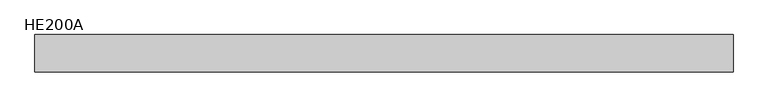
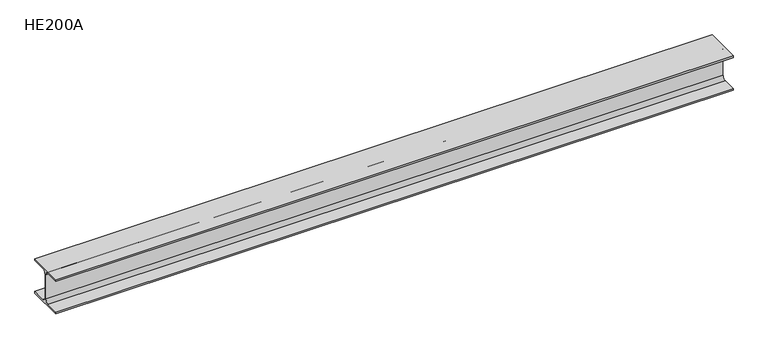
"""IFC4 building model written with IfcOpenShell, lengths in millimetres: beam geometry, HE200A."""

from ifc_helpers import new_model, si_unit, point, frame, frame_2d, origin, place, context, project, spatial, polyline, circle_curve, trimmed, segment, composite_curve, outline, extrude, source, transform, mapped, element, save


def he200a_21ca7778(model_context):
    return source(origin(), model_context, "Body", "SweptSolid", [
        extrude(outline(composite_curve([segment(polyline([(100.0, -90.0), (100.0, -100.0), (-100.0, -100.0), (-100.0, -90.0), (-24.0, -90.0)]), True, "CONTINUOUS"), segment(trimmed(circle_curve(frame_2d((-24.0, -70.0)), 20.0), [point((-24.0, -90.0))], [point((-4.0, -70.0))], True, "CARTESIAN"), True, "CONTINUOUS"), segment(polyline([(-4.0, -70.0), (-4.0, 70.0)]), True, "CONTINUOUS"), segment(trimmed(circle_curve(frame_2d((-24.0, 70.0)), 20.0), [point((-4.0, 70.0))], [point((-24.0, 90.0))], True, "CARTESIAN"), True, "CONTINUOUS"), segment(polyline([(-24.0, 90.0), (-100.0, 90.0), (-100.0, 100.0), (100.0, 100.0), (100.0, 90.0), (24.0, 90.0)]), True, "CONTINUOUS"), segment(trimmed(circle_curve(frame_2d((24.0, 70.0)), 20.0), [point((24.0, 90.0))], [point((4.0, 70.0))], True, "CARTESIAN"), True, "CONTINUOUS"), segment(polyline([(4.0, 70.0), (4.0, -70.0)]), True, "CONTINUOUS"), segment(trimmed(circle_curve(frame_2d((24.0, -70.0)), 20.0), [point((4.0, -70.0))], [point((24.0, -90.0))], True, "CARTESIAN"), True, "CONTINUOUS"), segment(polyline([(24.0, -90.0), (100.0, -90.0)]), True, "CONTINUOUS")], self_intersect=False)), frame((-1874.5, 0.0, 0.0), z_axis=(1.0, 0.0, 0.0), x_axis=(0.0, 1.0, 0.0)), (0.0, 0.0, 1.0), 3719.0),
    ])


if __name__ == "__main__":
    model = new_model("IFC4")
    model_context = context("Model", 3, world=origin())
    ifc_project = project(units=[si_unit("LENGTHUNIT", "METRE", prefix="MILLI")], contexts=[model_context])
    site = spatial("IfcSite", under=ifc_project)
    building = spatial("IfcBuilding", under=site)
    placement = place(None, origin())
    he200a_shape = he200a_21ca7778(model_context)
    element("IfcBeam", 1, ObjectType="HE200A", at=placement, inside=building, context=model_context, shape_type="MappedRepresentation", body=[
        mapped(he200a_shape, transform((0.0, 0.0, 0.0), x_axis=(1.0, 0.0, 0.0), y_axis=(0.0, 1.0, 0.0), z_axis=(0.0, 0.0, 1.0))),
    ])
    save(model, "model.ifc")
